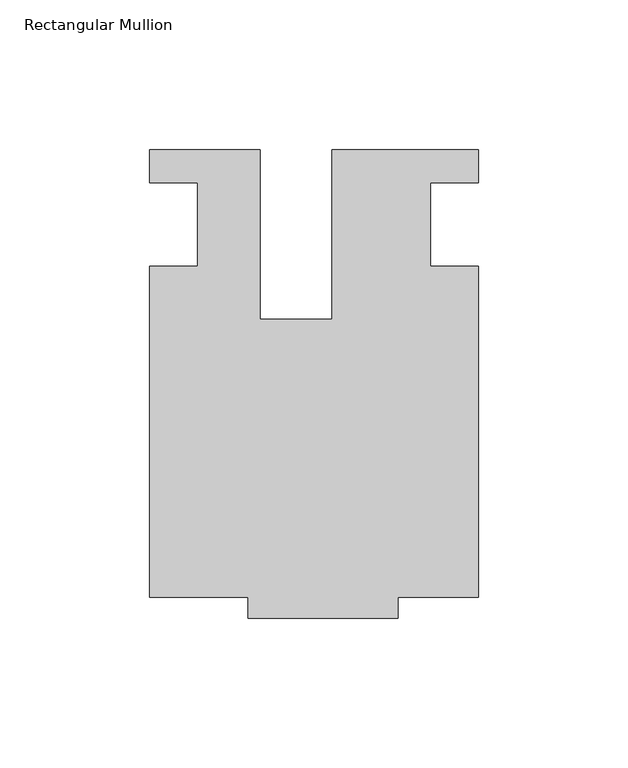
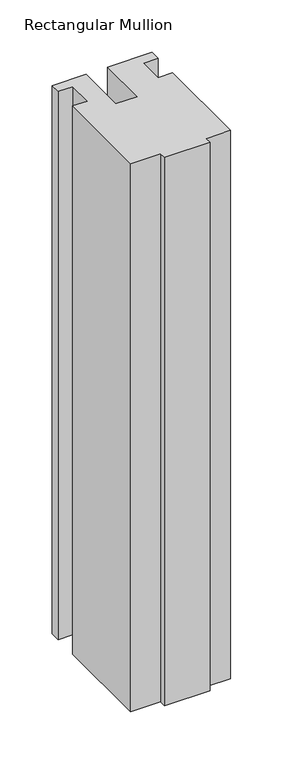
"""IFC4 building model written with IfcOpenShell, lengths in millimetres: member geometry, Rectangular Mullion."""

import ifcopenshell
import ifcopenshell.guid

model = None  # the IFC model being written
_history = None  # IfcOwnerHistory: only IFC2X3 demands one
_inside = {}  # id of a spatial element -> (the spatial element, [elements in it])
_under = {}  # id of a project, library or spatial element -> (it, [spatial elements below it])
_declared = {}  # id of a project -> (the project, [libraries it declares])
_typed = {}  # id of a type object -> (the type object, [elements of that type])
_made_of = {}  # id of a material, layer set ... -> (it, [elements and type objects made of it])


def new_model(schema):
    """Start an empty IFC model of exactly this schema.

    Asked for "IFC4X3", IfcOpenShell would pick the latest addendum, in which some entities
    have other attributes; the version numbers below select the first issue.
    IFC2X3 requires an IfcOwnerHistory on every rooted entity: one is made here for all.
    """
    global model, _history
    if schema == "IFC4X3":
        model = ifcopenshell.file(schema_version=(4, 3, 0, 0))
    else:
        model = ifcopenshell.file(schema=schema)
    _inside.clear()
    _under.clear()
    _declared.clear()
    _typed.clear()
    _made_of.clear()
    _history = None
    if model.schema == "IFC2X3":
        org = make("IfcOrganization", Name="unknown")
        user = make(
            "IfcPersonAndOrganization",
            ThePerson=make("IfcPerson", FamilyName="unknown"),
            TheOrganization=org,
        )
        app = make(
            "IfcApplication",
            ApplicationDeveloper=org,
            Version="unknown",
            ApplicationFullName="unknown",
            ApplicationIdentifier="unknown",
        )
        _history = make(
            "IfcOwnerHistory",
            OwningUser=user,
            OwningApplication=app,
            ChangeAction="ADDED",
            CreationDate=0,
        )
    return model


def make(cls, **values):
    """One entity of the class cls with the attributes given. An attribute that is None is left unset."""
    return model.create_entity(
        cls, **{name: value for name, value in values.items() if value is not None}
    )


def rooted(cls, **values):
    """An entity with a GlobalId (a new one), such as an element, a storey or a relation."""
    return make(cls, GlobalId=ifcopenshell.guid.new(), OwnerHistory=_history, **values)


def si_unit(unit_type, name, prefix=None):
    """IfcSIUnit, for example si_unit("LENGTHUNIT", "METRE", prefix="MILLI")."""
    return make("IfcSIUnit", UnitType=unit_type, Prefix=prefix, Name=name)


def assignment(units):
    """IfcUnitAssignment: the units of a project."""
    return None if units is None else make("IfcUnitAssignment", Units=units)


def point(xyz):
    """IfcCartesianPoint."""
    return None if xyz is None else make("IfcCartesianPoint", Coordinates=xyz)


def direction(xyz):
    """IfcDirection."""
    return None if xyz is None else make("IfcDirection", DirectionRatios=xyz)


def frame(location, z_axis=None, x_axis=None):
    """IfcAxis2Placement3D, a coordinate frame: its origin and axes. An axis left out is left unset."""
    return make(
        "IfcAxis2Placement3D",
        Location=point(location),
        Axis=direction(z_axis),
        RefDirection=direction(x_axis),
    )


def origin():
    """The frame at (0, 0, 0) with its axes left unset."""
    return frame((0.0, 0.0, 0.0))


def place(relative_to, where):
    """IfcLocalPlacement: puts the frame where relative to a parent placement (None: the world)."""
    return make(
        "IfcLocalPlacement", PlacementRelTo=relative_to, RelativePlacement=where
    )


def context(
    kind, dimensions, precision=None, world=None, true_north=None, identifier=None
):
    """IfcGeometricRepresentationContext, for example the 3D "Model" context."""
    return make(
        "IfcGeometricRepresentationContext",
        ContextIdentifier=identifier,
        ContextType=kind,
        CoordinateSpaceDimension=dimensions,
        Precision=precision,
        WorldCoordinateSystem=world,
        TrueNorth=true_north,
    )


def project(units=None, contexts=None):
    """IfcProject with its units and contexts."""
    return rooted(
        "IfcProject",
        Name="project",
        RepresentationContexts=contexts,
        UnitsInContext=assignment(units),
    )


def spatial(cls, under=None, at=None, **own):
    """A site, building, storey or space (cls), placed at a placement, below another one or the project."""
    s = rooted(cls, ObjectPlacement=at, **own)
    if under is not None:
        _under.setdefault(under.id(), (under, []))[1].append(s)
    return s


def polyline(points):
    """IfcPolyline through the points."""
    return make("IfcPolyline", Points=[point(p) for p in points])


def outline(outer, holes=None, kind="AREA"):
    """IfcArbitraryClosedProfileDef: a profile drawn as a closed curve; with holes, ...WithVoids."""
    if holes is None:
        return make("IfcArbitraryClosedProfileDef", ProfileType=kind, OuterCurve=outer)
    return make(
        "IfcArbitraryProfileDefWithVoids",
        ProfileType=kind,
        OuterCurve=outer,
        InnerCurves=holes,
    )


def extrude(swept, where, along, depth):
    """IfcExtrudedAreaSolid: the profile swept, set in the frame where, extruded along a direction by depth."""
    return make(
        "IfcExtrudedAreaSolid",
        SweptArea=swept,
        Position=where,
        ExtrudedDirection=direction(along),
        Depth=depth,
    )


def shape(context_of_items, identifier, shape_type, items):
    """IfcShapeRepresentation: the items that make up one representation, for example the "Body"."""
    return make(
        "IfcShapeRepresentation",
        ContextOfItems=context_of_items,
        RepresentationIdentifier=identifier,
        RepresentationType=shape_type,
        Items=items,
    )


def source(mapping_origin, context_of_items, identifier, shape_type, items):
    """IfcRepresentationMap: a shape defined once, which mapped items show again and again."""
    return make(
        "IfcRepresentationMap",
        MappingOrigin=mapping_origin,
        MappedRepresentation=shape(context_of_items, identifier, shape_type, items),
    )


def transform(
    local_origin,
    x_axis=None,
    y_axis=None,
    z_axis=None,
    scale=None,
    scale2=None,
    scale3=None,
    uniform=True,
):
    """IfcCartesianTransformationOperator3D, or its non-uniform kind. x_axis, y_axis, z_axis: its Axis1, 2, 3."""
    if uniform:
        return make(
            "IfcCartesianTransformationOperator3D",
            Axis1=direction(x_axis),
            Axis2=direction(y_axis),
            LocalOrigin=point(local_origin),
            Scale=scale,
            Axis3=direction(z_axis),
        )
    return make(
        "IfcCartesianTransformationOperator3DnonUniform",
        Axis1=direction(x_axis),
        Axis2=direction(y_axis),
        LocalOrigin=point(local_origin),
        Scale=scale,
        Axis3=direction(z_axis),
        Scale2=scale2,
        Scale3=scale3,
    )


def mapped(mapping_source, mapping_target):
    """IfcMappedItem: shows the shape of a source again, moved by a transform."""
    return make(
        "IfcMappedItem", MappingSource=mapping_source, MappingTarget=mapping_target
    )


def made_of(thing, what):
    """Note that an element or type object is made of a material, layer set ...; save() writes the relation."""
    if what is not None:
        _made_of.setdefault(what.id(), (what, []))[1].append(thing)
    return thing


def element(
    cls,
    number,
    at=None,
    inside=None,
    cuts=None,
    type_object=None,
    material=None,
    context=None,
    identifier="Body",
    shape_type=None,
    held_by="IfcProductDefinitionShape",
    body=None,
    shapes=None,
    **own,
):
    """One element of the class cls, such as IfcWall. Its Tag is "e" and its number.

    at: its placement. inside: the storey or other place that contains it. cuts: it is an
    opening in that element (IfcRelVoidsElement). A single representation is given by context,
    identifier, shape_type and body (its items); several are given by shapes. held_by: the class
    of the entity that holds the representations. save() writes the other relations.
    """
    e = rooted(cls, Tag="e%d" % number, ObjectPlacement=at, **own)
    if body is not None:
        shapes = [shape(context, identifier, shape_type, body)]
    if shapes is not None:
        e.Representation = make(held_by, Representations=shapes)
    if inside is not None:
        _inside.setdefault(inside.id(), (inside, []))[1].append(e)
    if cuts is not None:
        rooted(
            "IfcRelVoidsElement", RelatingBuildingElement=cuts, RelatedOpeningElement=e
        )
    if type_object is not None:
        _typed.setdefault(type_object.id(), (type_object, []))[1].append(e)
    return made_of(e, material)


def aggregate(whole, parts):
    """IfcRelAggregates: a whole, such as a stair, and the parts it consists of."""
    return rooted("IfcRelAggregates", RelatingObject=whole, RelatedObjects=parts)


def save(model, path):
    """Write the relations noted so far, then the file.

    IfcRelAggregates (storeys below a building ...), IfcRelContainedInSpatialStructure (elements
    in a storey), IfcRelDefinesByType, IfcRelAssociatesMaterial and IfcRelDeclares: one each for
    every whole, place, type object, material and project.
    """
    for whole, parts in _under.values():
        aggregate(whole, parts)
    for where, things in _inside.values():
        rooted(
            "IfcRelContainedInSpatialStructure",
            RelatedElements=things,
            RelatingStructure=where,
        )
    for kind, things in _typed.values():
        rooted("IfcRelDefinesByType", RelatedObjects=things, RelatingType=kind)
    for what, things in _made_of.values():
        rooted("IfcRelAssociatesMaterial", RelatedObjects=things, RelatingMaterial=what)
    for by, libraries in _declared.values():
        rooted("IfcRelDeclares", RelatingContext=by, RelatedDefinitions=libraries)
    model.write(path)


def rectangular_mullion_8a29b78a(model_context):
    return source(origin(), model_context, "Body", "SweptSolid", [
        extrude(outline(polyline([(-24.0309529, 25.0), (-24.0309529, -31.6008577), (0.0028846, -31.6008577), (0.0028846, 25.0), (49.0, 25.0), (49.0, 14.0), (33.0, 14.0), (33.0, -14.0), (49.0, -14.0), (49.0, -124.5), (22.0028846, -124.5), (22.0028846, -131.5), (-27.9971154, -131.5), (-27.9971154, -124.4999439), (-60.9971154, -124.4999439), (-60.9971154, -13.9998907), (-44.9942308, -13.9998907), (-44.9942308, 14.0), (-60.9971154, 14.0), (-60.9971154, 25.0), (-24.0309529, 25.0)])), frame((0.0, 0.0, -637.6322694), z_axis=(0.0, 0.0, 1.0), x_axis=(1.0, 0.0, 0.0)), (0.0, 0.0, 1.0), 637.6322694),
    ])


if __name__ == "__main__":
    model = new_model("IFC4")
    model_context = context("Model", 3, world=origin())
    ifc_project = project(units=[si_unit("LENGTHUNIT", "METRE", prefix="MILLI")], contexts=[model_context])
    site = spatial("IfcSite", under=ifc_project)
    building = spatial("IfcBuilding", under=site)
    placement = place(None, origin())
    rectangular_mullion_shape = rectangular_mullion_8a29b78a(model_context)
    element("IfcMember", 1, ObjectType="Rectangular Mullion", at=placement, inside=building, context=model_context, shape_type="MappedRepresentation", body=[
        mapped(rectangular_mullion_shape, transform((0.0, 0.0, 0.0), x_axis=(1.0, 0.0, 0.0), y_axis=(0.0, 1.0, 0.0), z_axis=(0.0, 0.0, 1.0))),
    ])
    save(model, "model.ifc")
